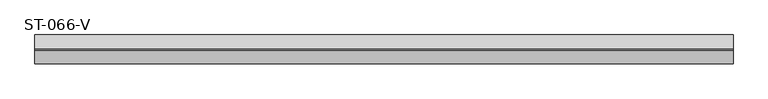
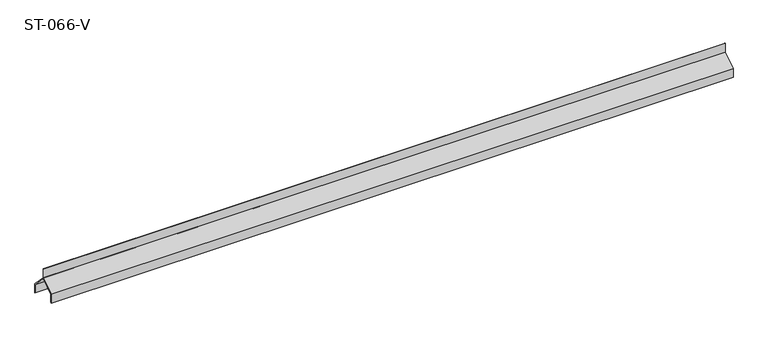
"""IFC4 building model written with IfcOpenShell, lengths in millimetres: plate geometry, ST-066-V."""

import ifcopenshell
import ifcopenshell.guid

model = None  # the IFC model being written
_history = None  # IfcOwnerHistory: only IFC2X3 demands one
_inside = {}  # id of a spatial element -> (the spatial element, [elements in it])
_under = {}  # id of a project, library or spatial element -> (it, [spatial elements below it])
_declared = {}  # id of a project -> (the project, [libraries it declares])
_typed = {}  # id of a type object -> (the type object, [elements of that type])
_made_of = {}  # id of a material, layer set ... -> (it, [elements and type objects made of it])


def new_model(schema):
    """Start an empty IFC model of exactly this schema.

    Asked for "IFC4X3", IfcOpenShell would pick the latest addendum, in which some entities
    have other attributes; the version numbers below select the first issue.
    IFC2X3 requires an IfcOwnerHistory on every rooted entity: one is made here for all.
    """
    global model, _history
    if schema == "IFC4X3":
        model = ifcopenshell.file(schema_version=(4, 3, 0, 0))
    else:
        model = ifcopenshell.file(schema=schema)
    _inside.clear()
    _under.clear()
    _declared.clear()
    _typed.clear()
    _made_of.clear()
    _history = None
    if model.schema == "IFC2X3":
        org = make("IfcOrganization", Name="unknown")
        user = make(
            "IfcPersonAndOrganization",
            ThePerson=make("IfcPerson", FamilyName="unknown"),
            TheOrganization=org,
        )
        app = make(
            "IfcApplication",
            ApplicationDeveloper=org,
            Version="unknown",
            ApplicationFullName="unknown",
            ApplicationIdentifier="unknown",
        )
        _history = make(
            "IfcOwnerHistory",
            OwningUser=user,
            OwningApplication=app,
            ChangeAction="ADDED",
            CreationDate=0,
        )
    return model


def make(cls, **values):
    """One entity of the class cls with the attributes given. An attribute that is None is left unset."""
    return model.create_entity(
        cls, **{name: value for name, value in values.items() if value is not None}
    )


def rooted(cls, **values):
    """An entity with a GlobalId (a new one), such as an element, a storey or a relation."""
    return make(cls, GlobalId=ifcopenshell.guid.new(), OwnerHistory=_history, **values)


def si_unit(unit_type, name, prefix=None):
    """IfcSIUnit, for example si_unit("LENGTHUNIT", "METRE", prefix="MILLI")."""
    return make("IfcSIUnit", UnitType=unit_type, Prefix=prefix, Name=name)


def assignment(units):
    """IfcUnitAssignment: the units of a project."""
    return None if units is None else make("IfcUnitAssignment", Units=units)


def point(xyz):
    """IfcCartesianPoint."""
    return None if xyz is None else make("IfcCartesianPoint", Coordinates=xyz)


def direction(xyz):
    """IfcDirection."""
    return None if xyz is None else make("IfcDirection", DirectionRatios=xyz)


def frame(location, z_axis=None, x_axis=None):
    """IfcAxis2Placement3D, a coordinate frame: its origin and axes. An axis left out is left unset."""
    return make(
        "IfcAxis2Placement3D",
        Location=point(location),
        Axis=direction(z_axis),
        RefDirection=direction(x_axis),
    )


def origin():
    """The frame at (0, 0, 0) with its axes left unset."""
    return frame((0.0, 0.0, 0.0))


def place(relative_to, where):
    """IfcLocalPlacement: puts the frame where relative to a parent placement (None: the world)."""
    return make(
        "IfcLocalPlacement", PlacementRelTo=relative_to, RelativePlacement=where
    )


def context(
    kind, dimensions, precision=None, world=None, true_north=None, identifier=None
):
    """IfcGeometricRepresentationContext, for example the 3D "Model" context."""
    return make(
        "IfcGeometricRepresentationContext",
        ContextIdentifier=identifier,
        ContextType=kind,
        CoordinateSpaceDimension=dimensions,
        Precision=precision,
        WorldCoordinateSystem=world,
        TrueNorth=true_north,
    )


def project(units=None, contexts=None):
    """IfcProject with its units and contexts."""
    return rooted(
        "IfcProject",
        Name="project",
        RepresentationContexts=contexts,
        UnitsInContext=assignment(units),
    )


def spatial(cls, under=None, at=None, **own):
    """A site, building, storey or space (cls), placed at a placement, below another one or the project."""
    s = rooted(cls, ObjectPlacement=at, **own)
    if under is not None:
        _under.setdefault(under.id(), (under, []))[1].append(s)
    return s


def polyline(points):
    """IfcPolyline through the points."""
    return make("IfcPolyline", Points=[point(p) for p in points])


def outline(outer, holes=None, kind="AREA"):
    """IfcArbitraryClosedProfileDef: a profile drawn as a closed curve; with holes, ...WithVoids."""
    if holes is None:
        return make("IfcArbitraryClosedProfileDef", ProfileType=kind, OuterCurve=outer)
    return make(
        "IfcArbitraryProfileDefWithVoids",
        ProfileType=kind,
        OuterCurve=outer,
        InnerCurves=holes,
    )


def extrude(swept, where, along, depth):
    """IfcExtrudedAreaSolid: the profile swept, set in the frame where, extruded along a direction by depth."""
    return make(
        "IfcExtrudedAreaSolid",
        SweptArea=swept,
        Position=where,
        ExtrudedDirection=direction(along),
        Depth=depth,
    )


def shape(context_of_items, identifier, shape_type, items):
    """IfcShapeRepresentation: the items that make up one representation, for example the "Body"."""
    return make(
        "IfcShapeRepresentation",
        ContextOfItems=context_of_items,
        RepresentationIdentifier=identifier,
        RepresentationType=shape_type,
        Items=items,
    )


def source(mapping_origin, context_of_items, identifier, shape_type, items):
    """IfcRepresentationMap: a shape defined once, which mapped items show again and again."""
    return make(
        "IfcRepresentationMap",
        MappingOrigin=mapping_origin,
        MappedRepresentation=shape(context_of_items, identifier, shape_type, items),
    )


def transform(
    local_origin,
    x_axis=None,
    y_axis=None,
    z_axis=None,
    scale=None,
    scale2=None,
    scale3=None,
    uniform=True,
):
    """IfcCartesianTransformationOperator3D, or its non-uniform kind. x_axis, y_axis, z_axis: its Axis1, 2, 3."""
    if uniform:
        return make(
            "IfcCartesianTransformationOperator3D",
            Axis1=direction(x_axis),
            Axis2=direction(y_axis),
            LocalOrigin=point(local_origin),
            Scale=scale,
            Axis3=direction(z_axis),
        )
    return make(
        "IfcCartesianTransformationOperator3DnonUniform",
        Axis1=direction(x_axis),
        Axis2=direction(y_axis),
        LocalOrigin=point(local_origin),
        Scale=scale,
        Axis3=direction(z_axis),
        Scale2=scale2,
        Scale3=scale3,
    )


def mapped(mapping_source, mapping_target):
    """IfcMappedItem: shows the shape of a source again, moved by a transform."""
    return make(
        "IfcMappedItem", MappingSource=mapping_source, MappingTarget=mapping_target
    )


def made_of(thing, what):
    """Note that an element or type object is made of a material, layer set ...; save() writes the relation."""
    if what is not None:
        _made_of.setdefault(what.id(), (what, []))[1].append(thing)
    return thing


def element(
    cls,
    number,
    at=None,
    inside=None,
    cuts=None,
    type_object=None,
    material=None,
    context=None,
    identifier="Body",
    shape_type=None,
    held_by="IfcProductDefinitionShape",
    body=None,
    shapes=None,
    **own,
):
    """One element of the class cls, such as IfcWall. Its Tag is "e" and its number.

    at: its placement. inside: the storey or other place that contains it. cuts: it is an
    opening in that element (IfcRelVoidsElement). A single representation is given by context,
    identifier, shape_type and body (its items); several are given by shapes. held_by: the class
    of the entity that holds the representations. save() writes the other relations.
    """
    e = rooted(cls, Tag="e%d" % number, ObjectPlacement=at, **own)
    if body is not None:
        shapes = [shape(context, identifier, shape_type, body)]
    if shapes is not None:
        e.Representation = make(held_by, Representations=shapes)
    if inside is not None:
        _inside.setdefault(inside.id(), (inside, []))[1].append(e)
    if cuts is not None:
        rooted(
            "IfcRelVoidsElement", RelatingBuildingElement=cuts, RelatedOpeningElement=e
        )
    if type_object is not None:
        _typed.setdefault(type_object.id(), (type_object, []))[1].append(e)
    return made_of(e, material)


def aggregate(whole, parts):
    """IfcRelAggregates: a whole, such as a stair, and the parts it consists of."""
    return rooted("IfcRelAggregates", RelatingObject=whole, RelatedObjects=parts)


def save(model, path):
    """Write the relations noted so far, then the file.

    IfcRelAggregates (storeys below a building ...), IfcRelContainedInSpatialStructure (elements
    in a storey), IfcRelDefinesByType, IfcRelAssociatesMaterial and IfcRelDeclares: one each for
    every whole, place, type object, material and project.
    """
    for whole, parts in _under.values():
        aggregate(whole, parts)
    for where, things in _inside.values():
        rooted(
            "IfcRelContainedInSpatialStructure",
            RelatedElements=things,
            RelatingStructure=where,
        )
    for kind, things in _typed.values():
        rooted("IfcRelDefinesByType", RelatedObjects=things, RelatingType=kind)
    for what, things in _made_of.values():
        rooted("IfcRelAssociatesMaterial", RelatedObjects=things, RelatingMaterial=what)
    for by, libraries in _declared.values():
        rooted("IfcRelDeclares", RelatingContext=by, RelatedDefinitions=libraries)
    model.write(path)


def st_066_v_cbeacc33(model_context):
    return source(origin(), model_context, "Body", "SweptSolid", [
        extrude(outline(polyline([(62.0, -54.0), (62.0, -74.0), (60.75, -74.0), (60.75, -54.5657021), (29.8861061, -21.468228), (1.3, -41.5607132), (1.3, -60.3370126), (0.0, -61.1493428), (0.0, -40.8854528), (29.462475, -20.176989), (29.462475, 0.0), (30.8227376, 0.0), (30.8227376, -20.5664793), (62.0, -54.0)])), frame((-750.0, 0.0, 0.0), z_axis=(1.0, 0.0, 0.0), x_axis=(0.0, 1.0, 0.0)), (0.0, 0.0, 1.0), 1500.0),
    ])


if __name__ == "__main__":
    model = new_model("IFC4")
    model_context = context("Model", 3, world=origin())
    ifc_project = project(units=[si_unit("LENGTHUNIT", "METRE", prefix="MILLI")], contexts=[model_context])
    site = spatial("IfcSite", under=ifc_project)
    building = spatial("IfcBuilding", under=site)
    placement = place(None, origin())
    st_066_v_shape = st_066_v_cbeacc33(model_context)
    element("IfcPlate", 1, ObjectType="ST-066-V", at=placement, inside=building, context=model_context, shape_type="MappedRepresentation", body=[
        mapped(st_066_v_shape, transform((0.0, 0.0, 0.0), x_axis=(1.0, 0.0, 0.0), y_axis=(0.0, 1.0, 0.0), z_axis=(0.0, 0.0, 1.0))),
    ])
    save(model, "model.ifc")
